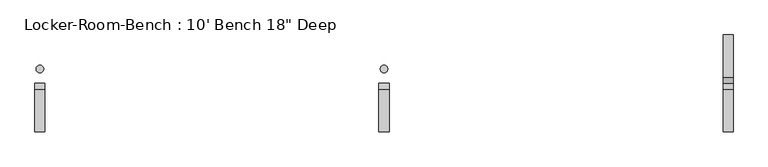
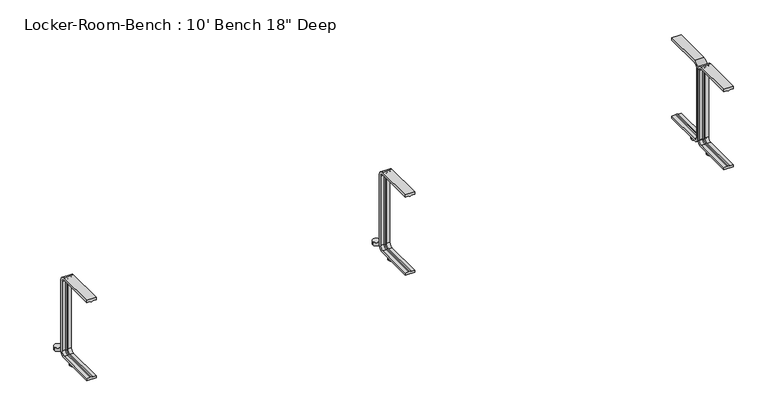
"""IFC4 building model written with IfcOpenShell, lengths in millimetres: proxy geometry."""

from ifc_helpers import new_model, si_unit, point, frame, frame_2d, origin, origin_with_axes, place, context, project, spatial, polyline, circle_curve, ellipse_curve, trimmed, segment, composite_curve, outline, extrude, source, transform, mapped, element, save
from ifc_brep_helpers import plane_surface, cylinder_surface, revolved_surface, advanced_brep


def proxy_229eb485(model_context):
    return source(origin(), model_context, "Body", "SolidModel", [
        extrude(outline(composite_curve([segment(trimmed(circle_curve(frame_2d((1374.0, 57.5)), 15.0), [point((1359.0, 57.5))], [point((1389.0, 57.5))], False, "CARTESIAN"), True, "CONTINUOUS"), segment(trimmed(circle_curve(frame_2d((1374.0, 57.5)), 15.0), [point((1389.0, 57.5))], [point((1359.0, 57.5))], False, "CARTESIAN"), True, "CONTINUOUS")], self_intersect=False)), origin_with_axes(), (0.0, 0.0, 1.0), 15.0),
        extrude(outline(composite_curve([segment(trimmed(circle_curve(frame_2d((1374.0, -57.5)), 15.0), [point((1359.0, -57.5))], [point((1389.0, -57.5))], False, "CARTESIAN"), True, "CONTINUOUS"), segment(trimmed(circle_curve(frame_2d((1374.0, -57.5)), 15.0), [point((1389.0, -57.5))], [point((1359.0, -57.5))], False, "CARTESIAN"), True, "CONTINUOUS")], self_intersect=False)), origin_with_axes(), (0.0, 0.0, 1.0), 15.0),
        extrude(outline(composite_curve([segment(trimmed(circle_curve(frame_2d((0.0, 57.5)), 15.0), [point((-15.0, 57.5))], [point((15.0, 57.5))], False, "CARTESIAN"), True, "CONTINUOUS"), segment(trimmed(circle_curve(frame_2d((0.0, 57.5)), 15.0), [point((15.0, 57.5))], [point((-15.0, 57.5))], False, "CARTESIAN"), True, "CONTINUOUS")], self_intersect=False)), origin_with_axes(), (0.0, 0.0, 1.0), 15.0),
        extrude(outline(composite_curve([segment(trimmed(circle_curve(frame_2d((0.0, -57.5)), 15.0), [point((-15.0, -57.5))], [point((15.0, -57.5))], False, "CARTESIAN"), True, "CONTINUOUS"), segment(trimmed(circle_curve(frame_2d((0.0, -57.5)), 15.0), [point((15.0, -57.5))], [point((-15.0, -57.5))], False, "CARTESIAN"), True, "CONTINUOUS")], self_intersect=False)), origin_with_axes(), (0.0, 0.0, 1.0), 15.0),
        extrude(outline(composite_curve([segment(trimmed(circle_curve(frame_2d((-1374.0, 57.5)), 15.0), [point((-1389.0, 57.5))], [point((-1359.0, 57.5))], False, "CARTESIAN"), True, "CONTINUOUS"), segment(trimmed(circle_curve(frame_2d((-1374.0, 57.5)), 15.0), [point((-1359.0, 57.5))], [point((-1389.0, 57.5))], False, "CARTESIAN"), True, "CONTINUOUS")], self_intersect=False)), origin_with_axes(), (0.0, 0.0, 1.0), 15.0),
        extrude(outline(composite_curve([segment(trimmed(circle_curve(frame_2d((-1374.0, -57.5)), 15.0), [point((-1389.0, -57.5))], [point((-1359.0, -57.5))], False, "CARTESIAN"), True, "CONTINUOUS"), segment(trimmed(circle_curve(frame_2d((-1374.0, -57.5)), 15.0), [point((-1359.0, -57.5))], [point((-1389.0, -57.5))], False, "CARTESIAN"), True, "CONTINUOUS")], self_intersect=False)), origin_with_axes(), (0.0, 0.0, 1.0), 15.0),
        advanced_brep(
        [(1394.0, -193.6, 381.4), (1354.0, -193.6, 381.4), (1354.0, -193.6, 371.4), (1369.0, -193.6, 371.4), (1374.0, -193.6, 369.0684617), (1379.0, -193.6, 371.4), (1394.0, -193.6, 371.4), (1394.0, -25.0, 371.4), (1394.0, -10.0, 356.4), (1394.0, -10.0, 40.0), (1394.0, -25.0, 25.0), (1394.0, -193.6, 25.0), (1394.0, -193.6, 15.0), (1394.0, -25.0, 15.0), (1394.0, 0.0, 40.0), (1394.0, 0.0, 356.4), (1394.0, -25.0, 381.4), (1379.0, -25.0, 371.4), (1374.0, -25.0, 369.0684617), (1369.0, -25.0, 371.4), (1354.0, -25.0, 371.4), (1354.0, -25.0, 381.4), (1354.0, 0.0, 356.4), (1354.0, 0.0, 40.0), (1354.0, -25.0, 15.0), (1354.0, -193.6, 15.0), (1354.0, -193.6, 25.0), (1354.0, -25.0, 25.0), (1354.0, -10.0, 40.0), (1354.0, -10.0, 356.4), (1379.0, -10.0, 356.4), (1374.0, -12.3315383, 356.4), (1369.0, -10.0, 356.4), (1379.0, -10.0, 40.0), (1374.0, -12.3315383, 40.0), (1369.0, -10.0, 40.0), (1379.0, -25.0, 25.0), (1374.0, -25.0, 27.3315383), (1369.0, -25.0, 25.0), (1379.0, -193.6, 25.0), (1374.0, -193.6, 27.3315383), (1369.0, -193.6, 25.0)],
        [
            (0, 1),
            (1, 2),
            (2, 3),
            (3, 4, circle_curve(frame((1373.7003591, -193.6, 374.9529162), z_axis=(0.0, -1.0, 0.0), x_axis=(0.0, 0.0, -1.0)), 5.8920785)),
            (4, 5, circle_curve(frame((1374.2996409, -193.6, 374.9529162), z_axis=(0.0, -1.0, 0.0), x_axis=(0.0, 0.0, -1.0)), 5.8920785)),
            (5, 6),
            (6, 0),
            (6, 7),
            (7, 8, circle_curve(frame((1394.0, -25.0, 356.4), z_axis=(-1.0, 0.0, 0.0), x_axis=(0.0, 0.0, 1.0)), 15.0)),
            (8, 9),
            (9, 10, circle_curve(frame((1394.0, -25.0, 40.0), z_axis=(-1.0, 0.0, 0.0), x_axis=(0.0, 1.0, 0.0)), 15.0)),
            (10, 11),
            (11, 12),
            (12, 13),
            (13, 14, circle_curve(frame((1394.0, -25.0, 40.0), z_axis=(1.0, 0.0, 0.0), x_axis=(0.0, 1.0, 0.0)), 25.0)),
            (14, 15),
            (15, 16, circle_curve(frame((1394.0, -25.0, 356.4), z_axis=(1.0, 0.0, 0.0), x_axis=(0.0, 0.0, 1.0)), 25.0)),
            (16, 0),
            (5, 17),
            (17, 7),
            (4, 18),
            (18, 17, circle_curve(frame((1374.2996409, -25.0, 374.9529162), z_axis=(0.0, -1.0, 0.0), x_axis=(0.0, 0.0, -1.0)), 5.8920785)),
            (3, 19),
            (19, 18, circle_curve(frame((1373.7003591, -25.0, 374.9529162), z_axis=(0.0, -1.0, 0.0), x_axis=(0.0, 0.0, -1.0)), 5.8920785)),
            (2, 20),
            (20, 19),
            (1, 21),
            (21, 22, circle_curve(frame((1354.0, -25.0, 356.4), z_axis=(-1.0, 0.0, 0.0), x_axis=(0.0, 0.0, 1.0)), 25.0)),
            (22, 23),
            (23, 24, circle_curve(frame((1354.0, -25.0, 40.0), z_axis=(-1.0, 0.0, 0.0), x_axis=(0.0, 1.0, 0.0)), 25.0)),
            (24, 25),
            (25, 26),
            (26, 27),
            (27, 28, circle_curve(frame((1354.0, -25.0, 40.0), z_axis=(1.0, 0.0, 0.0), x_axis=(0.0, 1.0, 0.0)), 15.0)),
            (28, 29),
            (29, 20, circle_curve(frame((1354.0, -25.0, 356.4), z_axis=(1.0, 0.0, 0.0), x_axis=(0.0, 0.0, 1.0)), 15.0)),
            (16, 21),
            (30, 8),
            (17, 30, circle_curve(frame((1379.0, -25.0, 356.4), z_axis=(-1.0, 0.0, 0.0), x_axis=(0.0, 0.0, 1.0)), 15.0)),
            (31, 30, circle_curve(frame((1374.2996409, -6.4470838, 356.4), z_axis=(0.0, 0.0, 1.0), x_axis=(0.0, -1.0, 0.0)), 5.8920785)),
            (18, 31, circle_curve(frame((1374.0, -25.0, 356.4), z_axis=(-1.0, 0.0, 0.0), x_axis=(0.0, 0.0, 1.0)), 12.6684617)),
            (32, 31, circle_curve(frame((1373.7003591, -6.4470838, 356.4), z_axis=(0.0, 0.0, 1.0), x_axis=(0.0, -1.0, 0.0)), 5.8920785)),
            (19, 32, circle_curve(frame((1369.0, -25.0, 356.4), z_axis=(-1.0, 0.0, 0.0), x_axis=(0.0, 0.0, 1.0)), 15.0)),
            (29, 32),
            (15, 22),
            (30, 33),
            (33, 9),
            (31, 34),
            (34, 33, circle_curve(frame((1374.2996409, -6.4470838, 40.0), z_axis=(0.0, 0.0, 1.0), x_axis=(0.0, -1.0, 0.0)), 5.8920785)),
            (32, 35),
            (35, 34, circle_curve(frame((1373.7003591, -6.4470838, 40.0), z_axis=(0.0, 0.0, 1.0), x_axis=(0.0, -1.0, 0.0)), 5.8920785)),
            (28, 35),
            (14, 23),
            (36, 10),
            (33, 36, circle_curve(frame((1379.0, -25.0, 40.0), z_axis=(-1.0, 0.0, 0.0), x_axis=(0.0, 1.0, 0.0)), 15.0)),
            (37, 36, circle_curve(frame((1374.2996409, -25.0, 21.4470838), z_axis=(0.0, 1.0, 0.0), x_axis=(0.0, 0.0, 1.0)), 5.8920785)),
            (34, 37, circle_curve(frame((1374.0, -25.0, 40.0), z_axis=(-1.0, 0.0, 0.0), x_axis=(0.0, 1.0, 0.0)), 12.6684617)),
            (38, 37, circle_curve(frame((1373.7003591, -25.0, 21.4470838), z_axis=(0.0, 1.0, 0.0), x_axis=(0.0, 0.0, 1.0)), 5.8920785)),
            (35, 38, circle_curve(frame((1369.0, -25.0, 40.0), z_axis=(-1.0, 0.0, 0.0), x_axis=(0.0, 1.0, 0.0)), 15.0)),
            (27, 38),
            (13, 24),
            (11, 39),
            (39, 40, circle_curve(frame((1374.2996409, -193.6, 21.4470838), z_axis=(0.0, -1.0, 0.0), x_axis=(0.0, 0.0, 1.0)), 5.8920785)),
            (40, 41, circle_curve(frame((1373.7003591, -193.6, 21.4470838), z_axis=(0.0, -1.0, 0.0), x_axis=(0.0, 0.0, 1.0)), 5.8920785)),
            (41, 26),
            (25, 12),
            (36, 39),
            (37, 40),
            (38, 41),
        ],
        [
            plane_surface(frame((1374.0, -193.6, 381.4), z_axis=(0.0, -1.0, 0.0), x_axis=(1.0, 0.0, 0.0))),
            plane_surface(frame((1394.0, -193.6, 381.4), z_axis=(1.0, 0.0, 0.0), x_axis=(0.0, 1.0, 0.0))),
            plane_surface(frame((1394.0, -193.6, 371.4), z_axis=(0.0, 0.0, -1.0), x_axis=(0.0, 1.0, 0.0))),
            cylinder_surface(frame((1374.2996409, -193.6, 374.9529162), z_axis=(0.0, -1.0, 0.0), x_axis=(0.0, 0.0, -1.0)), 5.8920785),
            cylinder_surface(frame((1373.7003591, -193.6, 374.9529162), z_axis=(0.0, -1.0, 0.0), x_axis=(0.0, 0.0, -1.0)), 5.8920785),
            plane_surface(frame((1369.0, -193.6, 371.4), z_axis=(0.0, 0.0, -1.0), x_axis=(0.0, 1.0, 0.0))),
            plane_surface(frame((1354.0, -193.6, 371.4), z_axis=(-1.0, 0.0, 0.0), x_axis=(0.0, 1.0, 0.0))),
            plane_surface(frame((1354.0, -193.6, 381.4), z_axis=(0.0, 0.0, 1.0), x_axis=(0.0, 1.0, 0.0))),
            revolved_surface(polyline([(1394.0, -25.0, 371.4), (1379.0, -25.0, 371.4)]), (1374.0, -25.0, 356.4), (1.0, 0.0, 0.0)),
            revolved_surface(trimmed(ellipse_curve(frame((1374.2996409, -25.0, 374.9529162), z_axis=(0.0, 1.0, 0.0), x_axis=(0.0, 0.0, -1.0)), 5.8920785, 5.8920785), [point((1379.0, -25.0, 371.4))], [point((1374.0, -25.0, 369.0684617))], True, "CARTESIAN"), (1374.0, -25.0, 356.4), (1.0, 0.0, 0.0)),
            revolved_surface(trimmed(ellipse_curve(frame((1373.7003591, -25.0, 374.9529162), z_axis=(0.0, 1.0, 0.0), x_axis=(0.0, 0.0, -1.0)), 5.8920785, 5.8920785), [point((1374.0, -25.0, 369.0684617))], [point((1369.0, -25.0, 371.4))], True, "CARTESIAN"), (1374.0, -25.0, 356.4), (1.0, 0.0, 0.0)),
            revolved_surface(polyline([(1369.0, -25.0, 371.4), (1354.0, -25.0, 371.4)]), (1374.0, -25.0, 356.4), (1.0, 0.0, 0.0)),
            cylinder_surface(frame((1374.0, -25.0, 356.4), z_axis=(1.0, 0.0, 0.0), x_axis=(0.0, 0.0, 1.0)), 25.0),
            plane_surface(frame((1394.0, -10.0, 356.4), z_axis=(0.0, -1.0, 0.0), x_axis=(0.0, 0.0, -1.0))),
            cylinder_surface(frame((1374.2996409, -6.4470838, 356.4), z_axis=(0.0, 0.0, 1.0), x_axis=(0.0, -1.0, 0.0)), 5.8920785),
            cylinder_surface(frame((1373.7003591, -6.4470838, 356.4), z_axis=(0.0, 0.0, 1.0), x_axis=(0.0, -1.0, 0.0)), 5.8920785),
            plane_surface(frame((1369.0, -10.0, 356.4), z_axis=(0.0, -1.0, 0.0), x_axis=(0.0, 0.0, -1.0))),
            plane_surface(frame((1354.0, 0.0, 356.4), z_axis=(0.0, 1.0, 0.0), x_axis=(0.0, 0.0, -1.0))),
            revolved_surface(polyline([(1394.0, -10.0, 40.0), (1379.0, -10.0, 40.0)]), (1374.0, -25.0, 40.0), (1.0, 0.0, 0.0)),
            revolved_surface(trimmed(ellipse_curve(frame((1374.2996409, -6.4470838, 40.0), z_axis=(0.0, 0.0, -1.0), x_axis=(0.0, -1.0, 0.0)), 5.8920785, 5.8920785), [point((1379.0, -10.0, 40.0))], [point((1374.0, -12.3315383, 40.0))], True, "CARTESIAN"), (1374.0, -25.0, 40.0), (1.0, 0.0, 0.0)),
            revolved_surface(trimmed(ellipse_curve(frame((1373.7003591, -6.4470838, 40.0), z_axis=(0.0, 0.0, -1.0), x_axis=(0.0, -1.0, 0.0)), 5.8920785, 5.8920785), [point((1374.0, -12.3315383, 40.0))], [point((1369.0, -10.0, 40.0))], True, "CARTESIAN"), (1374.0, -25.0, 40.0), (1.0, 0.0, 0.0)),
            revolved_surface(polyline([(1369.0, -10.0, 40.0), (1354.0, -10.0, 40.0)]), (1374.0, -25.0, 40.0), (1.0, 0.0, 0.0)),
            cylinder_surface(frame((1374.0, -25.0, 40.0), z_axis=(1.0, 0.0, 0.0), x_axis=(0.0, 1.0, 0.0)), 25.0),
            plane_surface(frame((1374.0, -193.6, 15.0), z_axis=(0.0, -1.0, 0.0), x_axis=(1.0, 0.0, 0.0))),
            plane_surface(frame((1394.0, -25.0, 25.0), z_axis=(0.0, 0.0, 1.0), x_axis=(0.0, -1.0, 0.0))),
            cylinder_surface(frame((1374.2996409, -25.0, 21.4470838), z_axis=(0.0, 1.0, 0.0), x_axis=(0.0, 0.0, 1.0)), 5.8920785),
            cylinder_surface(frame((1373.7003591, -25.0, 21.4470838), z_axis=(0.0, 1.0, 0.0), x_axis=(0.0, 0.0, 1.0)), 5.8920785),
            plane_surface(frame((1369.0, -25.0, 25.0), z_axis=(0.0, 0.0, 1.0), x_axis=(0.0, -1.0, 0.0))),
            plane_surface(frame((1354.0, -25.0, 15.0), z_axis=(0.0, 0.0, -1.0), x_axis=(0.0, -1.0, 0.0))),
        ],
        [
            (0, [[1, 2, 3, 4, 5, 6, 7]]),
            (1, [[8, 9, 10, 11, 12, 13, 14, 15, 16, 17, 18, -7]]),
            (2, [[19, 20, -8, -6]]),
            (3, [[21, 22, -19, -5]]),
            (4, [[23, 24, -21, -4]]),
            (5, [[25, 26, -23, -3]]),
            (6, [[27, 28, 29, 30, 31, 32, 33, 34, 35, 36, -25, -2]]),
            (7, [[-18, 37, -27, -1]]),
            (8, [[38, -9, -20, 39]]),
            (9, [[40, -39, -22, 41]]),
            (10, [[42, -41, -24, 43]]),
            (11, [[44, -43, -26, -36]]),
            (12, [[45, -28, -37, -17]]),
            (13, [[46, 47, -10, -38]]),
            (14, [[48, 49, -46, -40]]),
            (15, [[50, 51, -48, -42]]),
            (16, [[-35, 52, -50, -44]]),
            (17, [[-16, 53, -29, -45]]),
            (18, [[54, -11, -47, 55]]),
            (19, [[56, -55, -49, 57]]),
            (20, [[58, -57, -51, 59]]),
            (21, [[60, -59, -52, -34]]),
            (22, [[61, -30, -53, -15]]),
            (23, [[-13, 62, 63, 64, 65, -32, 66]]),
            (24, [[67, -62, -12, -54]]),
            (25, [[68, -63, -67, -56]]),
            (26, [[69, -64, -68, -58]]),
            (27, [[-33, -65, -69, -60]]),
            (28, [[-14, -66, -31, -61]]),
        ],
    ),
        advanced_brep(
        [(20.0, -193.6, 381.4), (-20.0, -193.6, 381.4), (-20.0, -193.6, 371.4), (-5.0, -193.6, 371.4), (0.0, -193.6, 369.0684617), (5.0, -193.6, 371.4), (20.0, -193.6, 371.4), (20.0, -25.0, 371.4), (20.0, -10.0, 356.4), (20.0, -10.0, 40.0), (20.0, -25.0, 25.0), (20.0, -193.6, 25.0), (20.0, -193.6, 15.0), (20.0, -25.0, 15.0), (20.0, 0.0, 40.0), (20.0, 0.0, 356.4), (20.0, -25.0, 381.4), (5.0, -25.0, 371.4), (0.0, -25.0, 369.0684617), (-5.0, -25.0, 371.4), (-20.0, -25.0, 371.4), (-20.0, -25.0, 381.4), (-20.0, 0.0, 356.4), (-20.0, 0.0, 40.0), (-20.0, -25.0, 15.0), (-20.0, -193.6, 15.0), (-20.0, -193.6, 25.0), (-20.0, -25.0, 25.0), (-20.0, -10.0, 40.0), (-20.0, -10.0, 356.4), (5.0, -10.0, 356.4), (0.0, -12.3315383, 356.4), (-5.0, -10.0, 356.4), (5.0, -10.0, 40.0), (0.0, -12.3315383, 40.0), (-5.0, -10.0, 40.0), (5.0, -25.0, 25.0), (0.0, -25.0, 27.3315383), (-5.0, -25.0, 25.0), (5.0, -193.6, 25.0), (0.0, -193.6, 27.3315383), (-5.0, -193.6, 25.0)],
        [
            (0, 1),
            (1, 2),
            (2, 3),
            (3, 4, circle_curve(frame((-0.2996409, -193.6, 374.9529162), z_axis=(0.0, -1.0, 0.0), x_axis=(0.0, 0.0, -1.0)), 5.8920785)),
            (4, 5, circle_curve(frame((0.2996409, -193.6, 374.9529162), z_axis=(0.0, -1.0, 0.0), x_axis=(0.0, 0.0, -1.0)), 5.8920785)),
            (5, 6),
            (6, 0),
            (6, 7),
            (7, 8, circle_curve(frame((20.0, -25.0, 356.4), z_axis=(-1.0, 0.0, 0.0), x_axis=(0.0, 0.0, 1.0)), 15.0)),
            (8, 9),
            (9, 10, circle_curve(frame((20.0, -25.0, 40.0), z_axis=(-1.0, 0.0, 0.0), x_axis=(0.0, 1.0, 0.0)), 15.0)),
            (10, 11),
            (11, 12),
            (12, 13),
            (13, 14, circle_curve(frame((20.0, -25.0, 40.0), z_axis=(1.0, 0.0, 0.0), x_axis=(0.0, 1.0, 0.0)), 25.0)),
            (14, 15),
            (15, 16, circle_curve(frame((20.0, -25.0, 356.4), z_axis=(1.0, 0.0, 0.0), x_axis=(0.0, 0.0, 1.0)), 25.0)),
            (16, 0),
            (5, 17),
            (17, 7),
            (4, 18),
            (18, 17, circle_curve(frame((0.2996409, -25.0, 374.9529162), z_axis=(0.0, -1.0, 0.0), x_axis=(0.0, 0.0, -1.0)), 5.8920785)),
            (3, 19),
            (19, 18, circle_curve(frame((-0.2996409, -25.0, 374.9529162), z_axis=(0.0, -1.0, 0.0), x_axis=(0.0, 0.0, -1.0)), 5.8920785)),
            (2, 20),
            (20, 19),
            (1, 21),
            (21, 22, circle_curve(frame((-20.0, -25.0, 356.4), z_axis=(-1.0, 0.0, 0.0), x_axis=(0.0, 0.0, 1.0)), 25.0)),
            (22, 23),
            (23, 24, circle_curve(frame((-20.0, -25.0, 40.0), z_axis=(-1.0, 0.0, 0.0), x_axis=(0.0, 1.0, 0.0)), 25.0)),
            (24, 25),
            (25, 26),
            (26, 27),
            (27, 28, circle_curve(frame((-20.0, -25.0, 40.0), z_axis=(1.0, 0.0, 0.0), x_axis=(0.0, 1.0, 0.0)), 15.0)),
            (28, 29),
            (29, 20, circle_curve(frame((-20.0, -25.0, 356.4), z_axis=(1.0, 0.0, 0.0), x_axis=(0.0, 0.0, 1.0)), 15.0)),
            (16, 21),
            (30, 8),
            (17, 30, circle_curve(frame((5.0, -25.0, 356.4), z_axis=(-1.0, 0.0, 0.0), x_axis=(0.0, 0.0, 1.0)), 15.0)),
            (31, 30, circle_curve(frame((0.2996409, -6.4470838, 356.4), z_axis=(0.0, 0.0, 1.0), x_axis=(0.0, -1.0, 0.0)), 5.8920785)),
            (18, 31, circle_curve(frame((0.0, -25.0, 356.4), z_axis=(-1.0, 0.0, 0.0), x_axis=(0.0, 0.0, 1.0)), 12.6684617)),
            (32, 31, circle_curve(frame((-0.2996409, -6.4470838, 356.4), z_axis=(0.0, 0.0, 1.0), x_axis=(0.0, -1.0, 0.0)), 5.8920785)),
            (19, 32, circle_curve(frame((-5.0, -25.0, 356.4), z_axis=(-1.0, 0.0, 0.0), x_axis=(0.0, 0.0, 1.0)), 15.0)),
            (29, 32),
            (15, 22),
            (30, 33),
            (33, 9),
            (31, 34),
            (34, 33, circle_curve(frame((0.2996409, -6.4470838, 40.0), z_axis=(0.0, 0.0, 1.0), x_axis=(0.0, -1.0, 0.0)), 5.8920785)),
            (32, 35),
            (35, 34, circle_curve(frame((-0.2996409, -6.4470838, 40.0), z_axis=(0.0, 0.0, 1.0), x_axis=(0.0, -1.0, 0.0)), 5.8920785)),
            (28, 35),
            (14, 23),
            (36, 10),
            (33, 36, circle_curve(frame((5.0, -25.0, 40.0), z_axis=(-1.0, 0.0, 0.0), x_axis=(0.0, 1.0, 0.0)), 15.0)),
            (37, 36, circle_curve(frame((0.2996409, -25.0, 21.4470838), z_axis=(0.0, 1.0, 0.0), x_axis=(0.0, 0.0, 1.0)), 5.8920785)),
            (34, 37, circle_curve(frame((0.0, -25.0, 40.0), z_axis=(-1.0, 0.0, 0.0), x_axis=(0.0, 1.0, 0.0)), 12.6684617)),
            (38, 37, circle_curve(frame((-0.2996409, -25.0, 21.4470838), z_axis=(0.0, 1.0, 0.0), x_axis=(0.0, 0.0, 1.0)), 5.8920785)),
            (35, 38, circle_curve(frame((-5.0, -25.0, 40.0), z_axis=(-1.0, 0.0, 0.0), x_axis=(0.0, 1.0, 0.0)), 15.0)),
            (27, 38),
            (13, 24),
            (11, 39),
            (39, 40, circle_curve(frame((0.2996409, -193.6, 21.4470838), z_axis=(0.0, -1.0, 0.0), x_axis=(0.0, 0.0, 1.0)), 5.8920785)),
            (40, 41, circle_curve(frame((-0.2996409, -193.6, 21.4470838), z_axis=(0.0, -1.0, 0.0), x_axis=(0.0, 0.0, 1.0)), 5.8920785)),
            (41, 26),
            (25, 12),
            (36, 39),
            (37, 40),
            (38, 41),
        ],
        [
            plane_surface(frame((0.0, -193.6, 381.4), z_axis=(0.0, -1.0, 0.0), x_axis=(1.0, 0.0, 0.0))),
            plane_surface(frame((20.0, -193.6, 381.4), z_axis=(1.0, 0.0, 0.0), x_axis=(0.0, 1.0, 0.0))),
            plane_surface(frame((20.0, -193.6, 371.4), z_axis=(0.0, 0.0, -1.0), x_axis=(0.0, 1.0, 0.0))),
            cylinder_surface(frame((0.2996409, -193.6, 374.9529162), z_axis=(0.0, -1.0, 0.0), x_axis=(0.0, 0.0, -1.0)), 5.8920785),
            cylinder_surface(frame((-0.2996409, -193.6, 374.9529162), z_axis=(0.0, -1.0, 0.0), x_axis=(0.0, 0.0, -1.0)), 5.8920785),
            plane_surface(frame((-5.0, -193.6, 371.4), z_axis=(0.0, 0.0, -1.0), x_axis=(0.0, 1.0, 0.0))),
            plane_surface(frame((-20.0, -193.6, 371.4), z_axis=(-1.0, 0.0, 0.0), x_axis=(0.0, 1.0, 0.0))),
            plane_surface(frame((-20.0, -193.6, 381.4), z_axis=(0.0, 0.0, 1.0), x_axis=(0.0, 1.0, 0.0))),
            revolved_surface(polyline([(20.0, -25.0, 371.4), (5.0, -25.0, 371.4)]), (0.0, -25.0, 356.4), (1.0, 0.0, 0.0)),
            revolved_surface(trimmed(ellipse_curve(frame((0.2996409, -25.0, 374.9529162), z_axis=(0.0, 1.0, 0.0), x_axis=(0.0, 0.0, -1.0)), 5.8920785, 5.8920785), [point((5.0, -25.0, 371.4))], [point((0.0, -25.0, 369.0684617))], True, "CARTESIAN"), (0.0, -25.0, 356.4), (1.0, 0.0, 0.0)),
            revolved_surface(trimmed(ellipse_curve(frame((-0.2996409, -25.0, 374.9529162), z_axis=(0.0, 1.0, 0.0), x_axis=(0.0, 0.0, -1.0)), 5.8920785, 5.8920785), [point((0.0, -25.0, 369.0684617))], [point((-5.0, -25.0, 371.4))], True, "CARTESIAN"), (0.0, -25.0, 356.4), (1.0, 0.0, 0.0)),
            revolved_surface(polyline([(-5.0, -25.0, 371.4), (-20.0, -25.0, 371.4)]), (0.0, -25.0, 356.4), (1.0, 0.0, 0.0)),
            cylinder_surface(frame((0.0, -25.0, 356.4), z_axis=(1.0, 0.0, 0.0), x_axis=(0.0, 0.0, 1.0)), 25.0),
            plane_surface(frame((20.0, -10.0, 356.4), z_axis=(0.0, -1.0, 0.0), x_axis=(0.0, 0.0, -1.0))),
            cylinder_surface(frame((0.2996409, -6.4470838, 356.4), z_axis=(0.0, 0.0, 1.0), x_axis=(0.0, -1.0, 0.0)), 5.8920785),
            cylinder_surface(frame((-0.2996409, -6.4470838, 356.4), z_axis=(0.0, 0.0, 1.0), x_axis=(0.0, -1.0, 0.0)), 5.8920785),
            plane_surface(frame((-5.0, -10.0, 356.4), z_axis=(0.0, -1.0, 0.0), x_axis=(0.0, 0.0, -1.0))),
            plane_surface(frame((-20.0, 0.0, 356.4), z_axis=(0.0, 1.0, 0.0), x_axis=(0.0, 0.0, -1.0))),
            revolved_surface(polyline([(20.0, -10.0, 40.0), (5.0, -10.0, 40.0)]), (0.0, -25.0, 40.0), (1.0, 0.0, 0.0)),
            revolved_surface(trimmed(ellipse_curve(frame((0.2996409, -6.4470838, 40.0), z_axis=(0.0, 0.0, -1.0), x_axis=(0.0, -1.0, 0.0)), 5.8920785, 5.8920785), [point((5.0, -10.0, 40.0))], [point((0.0, -12.3315383, 40.0))], True, "CARTESIAN"), (0.0, -25.0, 40.0), (1.0, 0.0, 0.0)),
            revolved_surface(trimmed(ellipse_curve(frame((-0.2996409, -6.4470838, 40.0), z_axis=(0.0, 0.0, -1.0), x_axis=(0.0, -1.0, 0.0)), 5.8920785, 5.8920785), [point((0.0, -12.3315383, 40.0))], [point((-5.0, -10.0, 40.0))], True, "CARTESIAN"), (0.0, -25.0, 40.0), (1.0, 0.0, 0.0)),
            revolved_surface(polyline([(-5.0, -10.0, 40.0), (-20.0, -10.0, 40.0)]), (0.0, -25.0, 40.0), (1.0, 0.0, 0.0)),
            cylinder_surface(frame((0.0, -25.0, 40.0), z_axis=(1.0, 0.0, 0.0), x_axis=(0.0, 1.0, 0.0)), 25.0),
            plane_surface(frame((0.0, -193.6, 15.0), z_axis=(0.0, -1.0, 0.0), x_axis=(1.0, 0.0, 0.0))),
            plane_surface(frame((20.0, -25.0, 25.0), z_axis=(0.0, 0.0, 1.0), x_axis=(0.0, -1.0, 0.0))),
            cylinder_surface(frame((0.2996409, -25.0, 21.4470838), z_axis=(0.0, 1.0, 0.0), x_axis=(0.0, 0.0, 1.0)), 5.8920785),
            cylinder_surface(frame((-0.2996409, -25.0, 21.4470838), z_axis=(0.0, 1.0, 0.0), x_axis=(0.0, 0.0, 1.0)), 5.8920785),
            plane_surface(frame((-5.0, -25.0, 25.0), z_axis=(0.0, 0.0, 1.0), x_axis=(0.0, -1.0, 0.0))),
            plane_surface(frame((-20.0, -25.0, 15.0), z_axis=(0.0, 0.0, -1.0), x_axis=(0.0, -1.0, 0.0))),
        ],
        [
            (0, [[1, 2, 3, 4, 5, 6, 7]]),
            (1, [[8, 9, 10, 11, 12, 13, 14, 15, 16, 17, 18, -7]]),
            (2, [[19, 20, -8, -6]]),
            (3, [[21, 22, -19, -5]]),
            (4, [[23, 24, -21, -4]]),
            (5, [[25, 26, -23, -3]]),
            (6, [[27, 28, 29, 30, 31, 32, 33, 34, 35, 36, -25, -2]]),
            (7, [[-18, 37, -27, -1]]),
            (8, [[38, -9, -20, 39]]),
            (9, [[40, -39, -22, 41]]),
            (10, [[42, -41, -24, 43]]),
            (11, [[44, -43, -26, -36]]),
            (12, [[45, -28, -37, -17]]),
            (13, [[46, 47, -10, -38]]),
            (14, [[48, 49, -46, -40]]),
            (15, [[50, 51, -48, -42]]),
            (16, [[-35, 52, -50, -44]]),
            (17, [[-16, 53, -29, -45]]),
            (18, [[54, -11, -47, 55]]),
            (19, [[56, -55, -49, 57]]),
            (20, [[58, -57, -51, 59]]),
            (21, [[60, -59, -52, -34]]),
            (22, [[61, -30, -53, -15]]),
            (23, [[-13, 62, 63, 64, 65, -32, 66]]),
            (24, [[67, -62, -12, -54]]),
            (25, [[68, -63, -67, -56]]),
            (26, [[69, -64, -68, -58]]),
            (27, [[-33, -65, -69, -60]]),
            (28, [[-14, -66, -31, -61]]),
        ],
    ),
        advanced_brep(
        [(-1354.0, -193.6, 381.4), (-1394.0, -193.6, 381.4), (-1394.0, -193.6, 371.4), (-1379.0, -193.6, 371.4), (-1374.0, -193.6, 369.0684617), (-1369.0, -193.6, 371.4), (-1354.0, -193.6, 371.4), (-1354.0, -25.0, 371.4), (-1354.0, -10.0, 356.4), (-1354.0, -10.0, 40.0), (-1354.0, -25.0, 25.0), (-1354.0, -193.6, 25.0), (-1354.0, -193.6, 15.0), (-1354.0, -25.0, 15.0), (-1354.0, 0.0, 40.0), (-1354.0, 0.0, 356.4), (-1354.0, -25.0, 381.4), (-1369.0, -25.0, 371.4), (-1374.0, -25.0, 369.0684617), (-1379.0, -25.0, 371.4), (-1394.0, -25.0, 371.4), (-1394.0, -25.0, 381.4), (-1394.0, 0.0, 356.4), (-1394.0, 0.0, 40.0), (-1394.0, -25.0, 15.0), (-1394.0, -193.6, 15.0), (-1394.0, -193.6, 25.0), (-1394.0, -25.0, 25.0), (-1394.0, -10.0, 40.0), (-1394.0, -10.0, 356.4), (-1369.0, -10.0, 356.4), (-1374.0, -12.3315383, 356.4), (-1379.0, -10.0, 356.4), (-1369.0, -10.0, 40.0), (-1374.0, -12.3315383, 40.0), (-1379.0, -10.0, 40.0), (-1369.0, -25.0, 25.0), (-1374.0, -25.0, 27.3315383), (-1379.0, -25.0, 25.0), (-1369.0, -193.6, 25.0), (-1374.0, -193.6, 27.3315383), (-1379.0, -193.6, 25.0)],
        [
            (0, 1),
            (1, 2),
            (2, 3),
            (3, 4, circle_curve(frame((-1374.2996409, -193.6, 374.9529162), z_axis=(0.0, -1.0, 0.0), x_axis=(0.0, 0.0, -1.0)), 5.8920785)),
            (4, 5, circle_curve(frame((-1373.7003591, -193.6, 374.9529162), z_axis=(0.0, -1.0, 0.0), x_axis=(0.0, 0.0, -1.0)), 5.8920785)),
            (5, 6),
            (6, 0),
            (6, 7),
            (7, 8, circle_curve(frame((-1354.0, -25.0, 356.4), z_axis=(-1.0, 0.0, 0.0), x_axis=(0.0, 0.0, 1.0)), 15.0)),
            (8, 9),
            (9, 10, circle_curve(frame((-1354.0, -25.0, 40.0), z_axis=(-1.0, 0.0, 0.0), x_axis=(0.0, 1.0, 0.0)), 15.0)),
            (10, 11),
            (11, 12),
            (12, 13),
            (13, 14, circle_curve(frame((-1354.0, -25.0, 40.0), z_axis=(1.0, 0.0, 0.0), x_axis=(0.0, 1.0, 0.0)), 25.0)),
            (14, 15),
            (15, 16, circle_curve(frame((-1354.0, -25.0, 356.4), z_axis=(1.0, 0.0, 0.0), x_axis=(0.0, 0.0, 1.0)), 25.0)),
            (16, 0),
            (5, 17),
            (17, 7),
            (4, 18),
            (18, 17, circle_curve(frame((-1373.7003591, -25.0, 374.9529162), z_axis=(0.0, -1.0, 0.0), x_axis=(0.0, 0.0, -1.0)), 5.8920785)),
            (3, 19),
            (19, 18, circle_curve(frame((-1374.2996409, -25.0, 374.9529162), z_axis=(0.0, -1.0, 0.0), x_axis=(0.0, 0.0, -1.0)), 5.8920785)),
            (2, 20),
            (20, 19),
            (1, 21),
            (21, 22, circle_curve(frame((-1394.0, -25.0, 356.4), z_axis=(-1.0, 0.0, 0.0), x_axis=(0.0, 0.0, 1.0)), 25.0)),
            (22, 23),
            (23, 24, circle_curve(frame((-1394.0, -25.0, 40.0), z_axis=(-1.0, 0.0, 0.0), x_axis=(0.0, 1.0, 0.0)), 25.0)),
            (24, 25),
            (25, 26),
            (26, 27),
            (27, 28, circle_curve(frame((-1394.0, -25.0, 40.0), z_axis=(1.0, 0.0, 0.0), x_axis=(0.0, 1.0, 0.0)), 15.0)),
            (28, 29),
            (29, 20, circle_curve(frame((-1394.0, -25.0, 356.4), z_axis=(1.0, 0.0, 0.0), x_axis=(0.0, 0.0, 1.0)), 15.0)),
            (16, 21),
            (30, 8),
            (17, 30, circle_curve(frame((-1369.0, -25.0, 356.4), z_axis=(-1.0, 0.0, 0.0), x_axis=(0.0, 0.0, 1.0)), 15.0)),
            (31, 30, circle_curve(frame((-1373.7003591, -6.4470838, 356.4), z_axis=(0.0, 0.0, 1.0), x_axis=(0.0, -1.0, 0.0)), 5.8920785)),
            (18, 31, circle_curve(frame((-1374.0, -25.0, 356.4), z_axis=(-1.0, 0.0, 0.0), x_axis=(0.0, 0.0, 1.0)), 12.6684617)),
            (32, 31, circle_curve(frame((-1374.2996409, -6.4470838, 356.4), z_axis=(0.0, 0.0, 1.0), x_axis=(0.0, -1.0, 0.0)), 5.8920785)),
            (19, 32, circle_curve(frame((-1379.0, -25.0, 356.4), z_axis=(-1.0, 0.0, 0.0), x_axis=(0.0, 0.0, 1.0)), 15.0)),
            (29, 32),
            (15, 22),
            (30, 33),
            (33, 9),
            (31, 34),
            (34, 33, circle_curve(frame((-1373.7003591, -6.4470838, 40.0), z_axis=(0.0, 0.0, 1.0), x_axis=(0.0, -1.0, 0.0)), 5.8920785)),
            (32, 35),
            (35, 34, circle_curve(frame((-1374.2996409, -6.4470838, 40.0), z_axis=(0.0, 0.0, 1.0), x_axis=(0.0, -1.0, 0.0)), 5.8920785)),
            (28, 35),
            (14, 23),
            (36, 10),
            (33, 36, circle_curve(frame((-1369.0, -25.0, 40.0), z_axis=(-1.0, 0.0, 0.0), x_axis=(0.0, 1.0, 0.0)), 15.0)),
            (37, 36, circle_curve(frame((-1373.7003591, -25.0, 21.4470838), z_axis=(0.0, 1.0, 0.0), x_axis=(0.0, 0.0, 1.0)), 5.8920785)),
            (34, 37, circle_curve(frame((-1374.0, -25.0, 40.0), z_axis=(-1.0, 0.0, 0.0), x_axis=(0.0, 1.0, 0.0)), 12.6684617)),
            (38, 37, circle_curve(frame((-1374.2996409, -25.0, 21.4470838), z_axis=(0.0, 1.0, 0.0), x_axis=(0.0, 0.0, 1.0)), 5.8920785)),
            (35, 38, circle_curve(frame((-1379.0, -25.0, 40.0), z_axis=(-1.0, 0.0, 0.0), x_axis=(0.0, 1.0, 0.0)), 15.0)),
            (27, 38),
            (13, 24),
            (11, 39),
            (39, 40, circle_curve(frame((-1373.7003591, -193.6, 21.4470838), z_axis=(0.0, -1.0, 0.0), x_axis=(0.0, 0.0, 1.0)), 5.8920785)),
            (40, 41, circle_curve(frame((-1374.2996409, -193.6, 21.4470838), z_axis=(0.0, -1.0, 0.0), x_axis=(0.0, 0.0, 1.0)), 5.8920785)),
            (41, 26),
            (25, 12),
            (36, 39),
            (37, 40),
            (38, 41),
        ],
        [
            plane_surface(frame((-1374.0, -193.6, 381.4), z_axis=(0.0, -1.0, 0.0), x_axis=(1.0, 0.0, 0.0))),
            plane_surface(frame((-1354.0, -193.6, 381.4), z_axis=(1.0, 0.0, 0.0), x_axis=(0.0, 1.0, 0.0))),
            plane_surface(frame((-1354.0, -193.6, 371.4), z_axis=(0.0, 0.0, -1.0), x_axis=(0.0, 1.0, 0.0))),
            cylinder_surface(frame((-1373.7003591, -193.6, 374.9529162), z_axis=(0.0, -1.0, 0.0), x_axis=(0.0, 0.0, -1.0)), 5.8920785),
            cylinder_surface(frame((-1374.2996409, -193.6, 374.9529162), z_axis=(0.0, -1.0, 0.0), x_axis=(0.0, 0.0, -1.0)), 5.8920785),
            plane_surface(frame((-1379.0, -193.6, 371.4), z_axis=(0.0, 0.0, -1.0), x_axis=(0.0, 1.0, 0.0))),
            plane_surface(frame((-1394.0, -193.6, 371.4), z_axis=(-1.0, 0.0, 0.0), x_axis=(0.0, 1.0, 0.0))),
            plane_surface(frame((-1394.0, -193.6, 381.4), z_axis=(0.0, 0.0, 1.0), x_axis=(0.0, 1.0, 0.0))),
            revolved_surface(polyline([(-1354.0, -25.0, 371.4), (-1369.0, -25.0, 371.4)]), (-1374.0, -25.0, 356.4), (1.0, 0.0, 0.0)),
            revolved_surface(trimmed(ellipse_curve(frame((-1373.7003591, -25.0, 374.9529162), z_axis=(0.0, 1.0, 0.0), x_axis=(0.0, 0.0, -1.0)), 5.8920785, 5.8920785), [point((-1369.0, -25.0, 371.4))], [point((-1374.0, -25.0, 369.0684617))], True, "CARTESIAN"), (-1374.0, -25.0, 356.4), (1.0, 0.0, 0.0)),
            revolved_surface(trimmed(ellipse_curve(frame((-1374.2996409, -25.0, 374.9529162), z_axis=(0.0, 1.0, 0.0), x_axis=(0.0, 0.0, -1.0)), 5.8920785, 5.8920785), [point((-1374.0, -25.0, 369.0684617))], [point((-1379.0, -25.0, 371.4))], True, "CARTESIAN"), (-1374.0, -25.0, 356.4), (1.0, 0.0, 0.0)),
            revolved_surface(polyline([(-1379.0, -25.0, 371.4), (-1394.0, -25.0, 371.4)]), (-1374.0, -25.0, 356.4), (1.0, 0.0, 0.0)),
            cylinder_surface(frame((-1374.0, -25.0, 356.4), z_axis=(1.0, 0.0, 0.0), x_axis=(0.0, 0.0, 1.0)), 25.0),
            plane_surface(frame((-1354.0, -10.0, 356.4), z_axis=(0.0, -1.0, 0.0), x_axis=(0.0, 0.0, -1.0))),
            cylinder_surface(frame((-1373.7003591, -6.4470838, 356.4), z_axis=(0.0, 0.0, 1.0), x_axis=(0.0, -1.0, 0.0)), 5.8920785),
            cylinder_surface(frame((-1374.2996409, -6.4470838, 356.4), z_axis=(0.0, 0.0, 1.0), x_axis=(0.0, -1.0, 0.0)), 5.8920785),
            plane_surface(frame((-1379.0, -10.0, 356.4), z_axis=(0.0, -1.0, 0.0), x_axis=(0.0, 0.0, -1.0))),
            plane_surface(frame((-1394.0, 0.0, 356.4), z_axis=(0.0, 1.0, 0.0), x_axis=(0.0, 0.0, -1.0))),
            revolved_surface(polyline([(-1354.0, -10.0, 40.0), (-1369.0, -10.0, 40.0)]), (-1374.0, -25.0, 40.0), (1.0, 0.0, 0.0)),
            revolved_surface(trimmed(ellipse_curve(frame((-1373.7003591, -6.4470838, 40.0), z_axis=(0.0, 0.0, -1.0), x_axis=(0.0, -1.0, 0.0)), 5.8920785, 5.8920785), [point((-1369.0, -10.0, 40.0))], [point((-1374.0, -12.3315383, 40.0))], True, "CARTESIAN"), (-1374.0, -25.0, 40.0), (1.0, 0.0, 0.0)),
            revolved_surface(trimmed(ellipse_curve(frame((-1374.2996409, -6.4470838, 40.0), z_axis=(0.0, 0.0, -1.0), x_axis=(0.0, -1.0, 0.0)), 5.8920785, 5.8920785), [point((-1374.0, -12.3315383, 40.0))], [point((-1379.0, -10.0, 40.0))], True, "CARTESIAN"), (-1374.0, -25.0, 40.0), (1.0, 0.0, 0.0)),
            revolved_surface(polyline([(-1379.0, -10.0, 40.0), (-1394.0, -10.0, 40.0)]), (-1374.0, -25.0, 40.0), (1.0, 0.0, 0.0)),
            cylinder_surface(frame((-1374.0, -25.0, 40.0), z_axis=(1.0, 0.0, 0.0), x_axis=(0.0, 1.0, 0.0)), 25.0),
            plane_surface(frame((-1374.0, -193.6, 15.0), z_axis=(0.0, -1.0, 0.0), x_axis=(1.0, 0.0, 0.0))),
            plane_surface(frame((-1354.0, -25.0, 25.0), z_axis=(0.0, 0.0, 1.0), x_axis=(0.0, -1.0, 0.0))),
            cylinder_surface(frame((-1373.7003591, -25.0, 21.4470838), z_axis=(0.0, 1.0, 0.0), x_axis=(0.0, 0.0, 1.0)), 5.8920785),
            cylinder_surface(frame((-1374.2996409, -25.0, 21.4470838), z_axis=(0.0, 1.0, 0.0), x_axis=(0.0, 0.0, 1.0)), 5.8920785),
            plane_surface(frame((-1379.0, -25.0, 25.0), z_axis=(0.0, 0.0, 1.0), x_axis=(0.0, -1.0, 0.0))),
            plane_surface(frame((-1394.0, -25.0, 15.0), z_axis=(0.0, 0.0, -1.0), x_axis=(0.0, -1.0, 0.0))),
        ],
        [
            (0, [[1, 2, 3, 4, 5, 6, 7]]),
            (1, [[8, 9, 10, 11, 12, 13, 14, 15, 16, 17, 18, -7]]),
            (2, [[19, 20, -8, -6]]),
            (3, [[21, 22, -19, -5]]),
            (4, [[23, 24, -21, -4]]),
            (5, [[25, 26, -23, -3]]),
            (6, [[27, 28, 29, 30, 31, 32, 33, 34, 35, 36, -25, -2]]),
            (7, [[-18, 37, -27, -1]]),
            (8, [[38, -9, -20, 39]]),
            (9, [[40, -39, -22, 41]]),
            (10, [[42, -41, -24, 43]]),
            (11, [[44, -43, -26, -36]]),
            (12, [[45, -28, -37, -17]]),
            (13, [[46, 47, -10, -38]]),
            (14, [[48, 49, -46, -40]]),
            (15, [[50, 51, -48, -42]]),
            (16, [[-35, 52, -50, -44]]),
            (17, [[-16, 53, -29, -45]]),
            (18, [[54, -11, -47, 55]]),
            (19, [[56, -55, -49, 57]]),
            (20, [[58, -57, -51, 59]]),
            (21, [[60, -59, -52, -34]]),
            (22, [[61, -30, -53, -15]]),
            (23, [[-13, 62, 63, 64, 65, -32, 66]]),
            (24, [[67, -62, -12, -54]]),
            (25, [[68, -63, -67, -56]]),
            (26, [[69, -64, -68, -58]]),
            (27, [[-33, -65, -69, -60]]),
            (28, [[-14, -66, -31, -61]]),
        ],
    ),
        advanced_brep(
        [(1394.0, 193.6, 381.4), (1394.0, 193.6, 371.4), (1379.0, 193.6, 371.4), (1374.0, 193.6, 369.0684617), (1369.0, 193.6, 371.4), (1354.0, 193.6, 371.4), (1354.0, 193.6, 381.4), (1354.0, 25.0, 381.4), (1394.0, 25.0, 381.4), (1354.0, 25.0, 371.4), (1354.0, 10.0, 356.4), (1354.0, 10.0, 40.0), (1354.0, 25.0, 25.0), (1354.0, 193.6, 25.0), (1354.0, 193.6, 15.0), (1354.0, 25.0, 15.0), (1354.0, 0.0, 40.0), (1354.0, 0.0, 356.4), (1369.0, 25.0, 371.4), (1374.0, 25.0, 369.0684617), (1379.0, 25.0, 371.4), (1394.0, 25.0, 371.4), (1394.0, 0.0, 356.4), (1394.0, 0.0, 40.0), (1394.0, 25.0, 15.0), (1394.0, 193.6, 15.0), (1394.0, 193.6, 25.0), (1394.0, 25.0, 25.0), (1394.0, 10.0, 40.0), (1394.0, 10.0, 356.4), (1369.0, 10.0, 356.4), (1374.0, 12.3315383, 356.4), (1379.0, 10.0, 356.4), (1369.0, 10.0, 40.0), (1374.0, 12.3315383, 40.0), (1379.0, 10.0, 40.0), (1369.0, 25.0, 25.0), (1374.0, 25.0, 27.3315383), (1379.0, 25.0, 25.0), (1369.0, 193.6, 25.0), (1374.0, 193.6, 27.3315383), (1379.0, 193.6, 25.0)],
        [
            (0, 1),
            (1, 2),
            (2, 3, circle_curve(frame((1374.2996409, 193.6, 374.9529162), z_axis=(0.0, 1.0, 0.0), x_axis=(0.0, 0.0, 1.0)), 5.8920785)),
            (3, 4, circle_curve(frame((1373.7003591, 193.6, 374.9529162), z_axis=(0.0, 1.0, 0.0), x_axis=(0.0, 0.0, 1.0)), 5.8920785)),
            (4, 5),
            (5, 6),
            (6, 0),
            (6, 7),
            (7, 8),
            (8, 0),
            (5, 9),
            (9, 10, circle_curve(frame((1354.0, 25.0, 356.4), z_axis=(1.0, 0.0, 0.0), x_axis=(0.0, 0.0, 1.0)), 15.0)),
            (10, 11),
            (11, 12, circle_curve(frame((1354.0, 25.0, 40.0), z_axis=(1.0, 0.0, 0.0), x_axis=(0.0, -1.0, 0.0)), 15.0)),
            (12, 13),
            (13, 14),
            (14, 15),
            (15, 16, circle_curve(frame((1354.0, 25.0, 40.0), z_axis=(-1.0, 0.0, 0.0), x_axis=(0.0, -1.0, 0.0)), 25.0)),
            (16, 17),
            (17, 7, circle_curve(frame((1354.0, 25.0, 356.4), z_axis=(-1.0, 0.0, 0.0), x_axis=(0.0, 0.0, 1.0)), 25.0)),
            (4, 18),
            (18, 9),
            (3, 19),
            (19, 18, circle_curve(frame((1373.7003591, 25.0, 374.9529162), z_axis=(0.0, 1.0, 0.0), x_axis=(0.0, 0.0, 1.0)), 5.8920785)),
            (2, 20),
            (20, 19, circle_curve(frame((1374.2996409, 25.0, 374.9529162), z_axis=(0.0, 1.0, 0.0), x_axis=(0.0, 0.0, 1.0)), 5.8920785)),
            (1, 21),
            (21, 20),
            (8, 22, circle_curve(frame((1394.0, 25.0, 356.4), z_axis=(1.0, 0.0, 0.0), x_axis=(0.0, 0.0, 1.0)), 25.0)),
            (22, 23),
            (23, 24, circle_curve(frame((1394.0, 25.0, 40.0), z_axis=(1.0, 0.0, 0.0), x_axis=(0.0, -1.0, 0.0)), 25.0)),
            (24, 25),
            (25, 26),
            (26, 27),
            (27, 28, circle_curve(frame((1394.0, 25.0, 40.0), z_axis=(-1.0, 0.0, 0.0), x_axis=(0.0, -1.0, 0.0)), 15.0)),
            (28, 29),
            (29, 21, circle_curve(frame((1394.0, 25.0, 356.4), z_axis=(-1.0, 0.0, 0.0), x_axis=(0.0, 0.0, 1.0)), 15.0)),
            (17, 22),
            (30, 10),
            (18, 30, circle_curve(frame((1369.0, 25.0, 356.4), z_axis=(1.0, 0.0, 0.0), x_axis=(0.0, 0.0, 1.0)), 15.0)),
            (31, 30, circle_curve(frame((1373.7003591, 6.4470838, 356.4), z_axis=(0.0, 0.0, 1.0), x_axis=(0.0, -1.0, 0.0)), 5.8920785)),
            (19, 31, circle_curve(frame((1374.0, 25.0, 356.4), z_axis=(1.0, 0.0, 0.0), x_axis=(0.0, 0.0, 1.0)), 12.6684617)),
            (32, 31, circle_curve(frame((1374.2996409, 6.4470838, 356.4), z_axis=(0.0, 0.0, 1.0), x_axis=(0.0, -1.0, 0.0)), 5.8920785)),
            (20, 32, circle_curve(frame((1379.0, 25.0, 356.4), z_axis=(1.0, 0.0, 0.0), x_axis=(0.0, 0.0, 1.0)), 15.0)),
            (29, 32),
            (16, 23),
            (30, 33),
            (33, 11),
            (31, 34),
            (34, 33, circle_curve(frame((1373.7003591, 6.4470838, 40.0), z_axis=(0.0, 0.0, 1.0), x_axis=(0.0, -1.0, 0.0)), 5.8920785)),
            (32, 35),
            (35, 34, circle_curve(frame((1374.2996409, 6.4470838, 40.0), z_axis=(0.0, 0.0, 1.0), x_axis=(0.0, -1.0, 0.0)), 5.8920785)),
            (28, 35),
            (15, 24),
            (36, 12),
            (33, 36, circle_curve(frame((1369.0, 25.0, 40.0), z_axis=(1.0, 0.0, 0.0), x_axis=(0.0, -1.0, 0.0)), 15.0)),
            (37, 36, circle_curve(frame((1373.7003591, 25.0, 21.4470838), z_axis=(0.0, -1.0, 0.0), x_axis=(0.0, 0.0, -1.0)), 5.8920785)),
            (34, 37, circle_curve(frame((1374.0, 25.0, 40.0), z_axis=(1.0, 0.0, 0.0), x_axis=(0.0, -1.0, 0.0)), 12.6684617)),
            (38, 37, circle_curve(frame((1374.2996409, 25.0, 21.4470838), z_axis=(0.0, -1.0, 0.0), x_axis=(0.0, 0.0, -1.0)), 5.8920785)),
            (35, 38, circle_curve(frame((1379.0, 25.0, 40.0), z_axis=(1.0, 0.0, 0.0), x_axis=(0.0, -1.0, 0.0)), 15.0)),
            (27, 38),
            (25, 14),
            (13, 39),
            (39, 40, circle_curve(frame((1373.7003591, 193.6, 21.4470838), z_axis=(0.0, 1.0, 0.0), x_axis=(0.0, 0.0, -1.0)), 5.8920785)),
            (40, 41, circle_curve(frame((1374.2996409, 193.6, 21.4470838), z_axis=(0.0, 1.0, 0.0), x_axis=(0.0, 0.0, -1.0)), 5.8920785)),
            (41, 26),
            (36, 39),
            (37, 40),
            (38, 41),
        ],
        [
            plane_surface(frame((1374.0, 193.6, 381.4), z_axis=(0.0, 1.0, 0.0), x_axis=(1.0, 0.0, 0.0))),
            plane_surface(frame((1394.0, 193.6, 381.4), z_axis=(0.0, 0.0, 1.0), x_axis=(0.0, -1.0, 0.0))),
            plane_surface(frame((1354.0, 193.6, 381.4), z_axis=(-1.0, 0.0, 0.0), x_axis=(0.0, -1.0, 0.0))),
            plane_surface(frame((1354.0, 193.6, 371.4), z_axis=(0.0, 0.0, -1.0), x_axis=(0.0, -1.0, 0.0))),
            cylinder_surface(frame((1373.7003591, 193.6, 374.9529162), z_axis=(0.0, 1.0, 0.0), x_axis=(0.0, 0.0, 1.0)), 5.8920785),
            cylinder_surface(frame((1374.2996409, 193.6, 374.9529162), z_axis=(0.0, 1.0, 0.0), x_axis=(0.0, 0.0, 1.0)), 5.8920785),
            plane_surface(frame((1379.0, 193.6, 371.4), z_axis=(0.0, 0.0, -1.0), x_axis=(0.0, -1.0, 0.0))),
            plane_surface(frame((1394.0, 193.6, 371.4), z_axis=(1.0, 0.0, 0.0), x_axis=(0.0, -1.0, 0.0))),
            cylinder_surface(frame((1374.0, 25.0, 356.4), z_axis=(-1.0, 0.0, 0.0), x_axis=(0.0, 0.0, 1.0)), 25.0),
            revolved_surface(polyline([(1354.0, 25.0, 371.4), (1369.0, 25.0, 371.4)]), (1374.0, 25.0, 356.4), (-1.0, 0.0, 0.0)),
            revolved_surface(trimmed(ellipse_curve(frame((1373.7003591, 25.0, 374.9529162), z_axis=(0.0, -1.0, 0.0), x_axis=(0.0, 0.0, 1.0)), 5.8920785, 5.8920785), [point((1369.0, 25.0, 371.4))], [point((1374.0, 25.0, 369.0684617))], True, "CARTESIAN"), (1374.0, 25.0, 356.4), (-1.0, 0.0, 0.0)),
            revolved_surface(trimmed(ellipse_curve(frame((1374.2996409, 25.0, 374.9529162), z_axis=(0.0, -1.0, 0.0), x_axis=(0.0, 0.0, 1.0)), 5.8920785, 5.8920785), [point((1374.0, 25.0, 369.0684617))], [point((1379.0, 25.0, 371.4))], True, "CARTESIAN"), (1374.0, 25.0, 356.4), (-1.0, 0.0, 0.0)),
            revolved_surface(polyline([(1379.0, 25.0, 371.4), (1394.0, 25.0, 371.4)]), (1374.0, 25.0, 356.4), (-1.0, 0.0, 0.0)),
            plane_surface(frame((1394.0, 0.0, 356.4), z_axis=(0.0, -1.0, 0.0), x_axis=(0.0, 0.0, -1.0))),
            plane_surface(frame((1354.0, 10.0, 356.4), z_axis=(0.0, 1.0, 0.0), x_axis=(0.0, 0.0, -1.0))),
            cylinder_surface(frame((1373.7003591, 6.4470838, 356.4), z_axis=(0.0, 0.0, 1.0), x_axis=(0.0, -1.0, 0.0)), 5.8920785),
            cylinder_surface(frame((1374.2996409, 6.4470838, 356.4), z_axis=(0.0, 0.0, 1.0), x_axis=(0.0, -1.0, 0.0)), 5.8920785),
            plane_surface(frame((1379.0, 10.0, 356.4), z_axis=(0.0, 1.0, 0.0), x_axis=(0.0, 0.0, -1.0))),
            cylinder_surface(frame((1374.0, 25.0, 40.0), z_axis=(-1.0, 0.0, 0.0), x_axis=(0.0, -1.0, 0.0)), 25.0),
            revolved_surface(polyline([(1354.0, 10.0, 40.0), (1369.0, 10.0, 40.0)]), (1374.0, 25.0, 40.0), (-1.0, 0.0, 0.0)),
            revolved_surface(trimmed(ellipse_curve(frame((1373.7003591, 6.4470838, 40.0), z_axis=(0.0, 0.0, -1.0), x_axis=(0.0, -1.0, 0.0)), 5.8920785, 5.8920785), [point((1369.0, 10.0, 40.0))], [point((1374.0, 12.3315383, 40.0))], True, "CARTESIAN"), (1374.0, 25.0, 40.0), (-1.0, 0.0, 0.0)),
            revolved_surface(trimmed(ellipse_curve(frame((1374.2996409, 6.4470838, 40.0), z_axis=(0.0, 0.0, -1.0), x_axis=(0.0, -1.0, 0.0)), 5.8920785, 5.8920785), [point((1374.0, 12.3315383, 40.0))], [point((1379.0, 10.0, 40.0))], True, "CARTESIAN"), (1374.0, 25.0, 40.0), (-1.0, 0.0, 0.0)),
            revolved_surface(polyline([(1379.0, 10.0, 40.0), (1394.0, 10.0, 40.0)]), (1374.0, 25.0, 40.0), (-1.0, 0.0, 0.0)),
            plane_surface(frame((1374.0, 193.6, 15.0), z_axis=(0.0, 1.0, 0.0), x_axis=(1.0, 0.0, 0.0))),
            plane_surface(frame((1394.0, 25.0, 15.0), z_axis=(0.0, 0.0, -1.0), x_axis=(0.0, 1.0, 0.0))),
            plane_surface(frame((1354.0, 25.0, 25.0), z_axis=(0.0, 0.0, 1.0), x_axis=(0.0, 1.0, 0.0))),
            cylinder_surface(frame((1373.7003591, 25.0, 21.4470838), z_axis=(0.0, -1.0, 0.0), x_axis=(0.0, 0.0, -1.0)), 5.8920785),
            cylinder_surface(frame((1374.2996409, 25.0, 21.4470838), z_axis=(0.0, -1.0, 0.0), x_axis=(0.0, 0.0, -1.0)), 5.8920785),
            plane_surface(frame((1379.0, 25.0, 25.0), z_axis=(0.0, 0.0, 1.0), x_axis=(0.0, 1.0, 0.0))),
        ],
        [
            (0, [[1, 2, 3, 4, 5, 6, 7]]),
            (1, [[8, 9, 10, -7]]),
            (2, [[11, 12, 13, 14, 15, 16, 17, 18, 19, 20, -8, -6]]),
            (3, [[21, 22, -11, -5]]),
            (4, [[23, 24, -21, -4]]),
            (5, [[25, 26, -23, -3]]),
            (6, [[27, 28, -25, -2]]),
            (7, [[-10, 29, 30, 31, 32, 33, 34, 35, 36, 37, -27, -1]]),
            (8, [[38, -29, -9, -20]]),
            (9, [[39, -12, -22, 40]]),
            (10, [[41, -40, -24, 42]]),
            (11, [[43, -42, -26, 44]]),
            (12, [[45, -44, -28, -37]]),
            (13, [[-19, 46, -30, -38]]),
            (14, [[47, 48, -13, -39]]),
            (15, [[49, 50, -47, -41]]),
            (16, [[51, 52, -49, -43]]),
            (17, [[-36, 53, -51, -45]]),
            (18, [[54, -31, -46, -18]]),
            (19, [[55, -14, -48, 56]]),
            (20, [[57, -56, -50, 58]]),
            (21, [[59, -58, -52, 60]]),
            (22, [[61, -60, -53, -35]]),
            (23, [[62, -16, 63, 64, 65, 66, -33]]),
            (24, [[-17, -62, -32, -54]]),
            (25, [[67, -63, -15, -55]]),
            (26, [[68, -64, -67, -57]]),
            (27, [[69, -65, -68, -59]]),
            (28, [[-34, -66, -69, -61]]),
        ],
    ),
    ])


if __name__ == "__main__":
    model = new_model("IFC4")
    model_context = context("Model", 3, world=origin())
    ifc_project = project(units=[si_unit("LENGTHUNIT", "METRE", prefix="MILLI")], contexts=[model_context])
    site = spatial("IfcSite", under=ifc_project)
    building = spatial("IfcBuilding", under=site)
    placement = place(None, origin())
    proxy_shape = proxy_229eb485(model_context)
    element("IfcBuildingElementProxy", 1, Name="Locker-Room-Bench : 10' Bench 18\" Deep", ObjectType="Locker-Room-Bench : 10' Bench 18\" Deep", at=placement, inside=building, context=model_context, shape_type="MappedRepresentation", body=[
        mapped(proxy_shape, transform((0.0, 0.0, 0.0), x_axis=(1.0, 0.0, 0.0), y_axis=(0.0, 1.0, 0.0), z_axis=(0.0, 0.0, 1.0))),
    ])
    save(model, "model.ifc")
